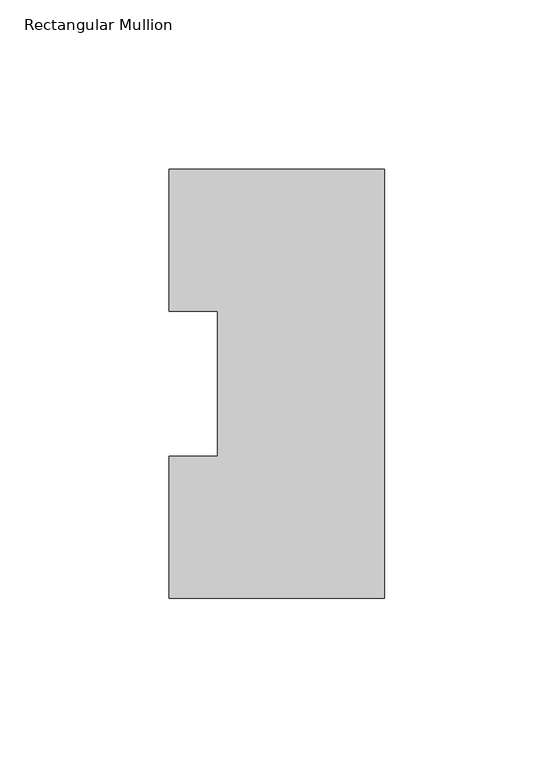
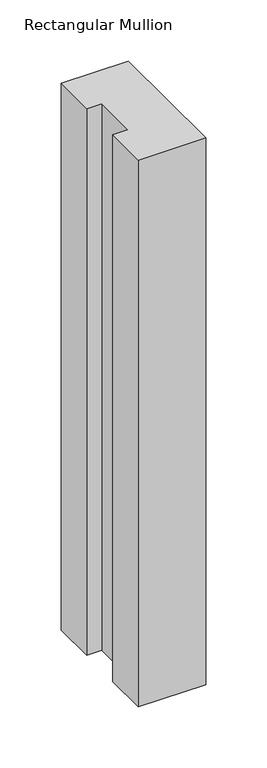
"""IFC4 building model written with IfcOpenShell, lengths in millimetres: member geometry, Rectangular Mullion."""

from ifc_helpers import new_model, si_unit, frame, origin, place, context, project, spatial, polyline, outline, extrude, source, transform, mapped, element, save


def rectangular_mullion_e7383847(model_context):
    return source(origin(), model_context, "Body", "SweptSolid", [
        extrude(outline(polyline([(0.0, 126.7523238), (0.0, 0.2603238), (-63.5, 0.2603238), (-63.5, 42.0814238), (-49.2252, 42.0814238), (-49.2252, 84.93125), (-63.5, 84.93125), (-63.5, 126.7523238), (0.0, 126.7523238)])), frame((0.0, 0.0, -546.1), z_axis=(0.0, 0.0, 1.0), x_axis=(1.0, 0.0, 0.0)), (0.0, 0.0, 1.0), 546.1),
    ])


if __name__ == "__main__":
    model = new_model("IFC4")
    model_context = context("Model", 3, world=origin())
    ifc_project = project(units=[si_unit("LENGTHUNIT", "METRE", prefix="MILLI")], contexts=[model_context])
    site = spatial("IfcSite", under=ifc_project)
    building = spatial("IfcBuilding", under=site)
    placement = place(None, origin())
    rectangular_mullion_shape = rectangular_mullion_e7383847(model_context)
    element("IfcMember", 1, ObjectType="Rectangular Mullion", at=placement, inside=building, context=model_context, shape_type="MappedRepresentation", body=[
        mapped(rectangular_mullion_shape, transform((0.0, 0.0, 0.0), x_axis=(1.0, 0.0, 0.0), y_axis=(0.0, 1.0, 0.0), z_axis=(0.0, 0.0, 1.0))),
    ])
    save(model, "model.ifc")
